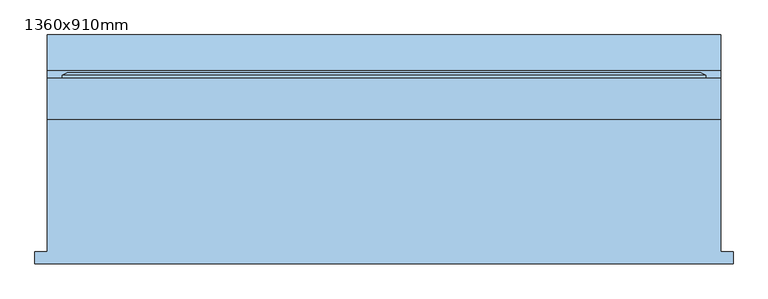
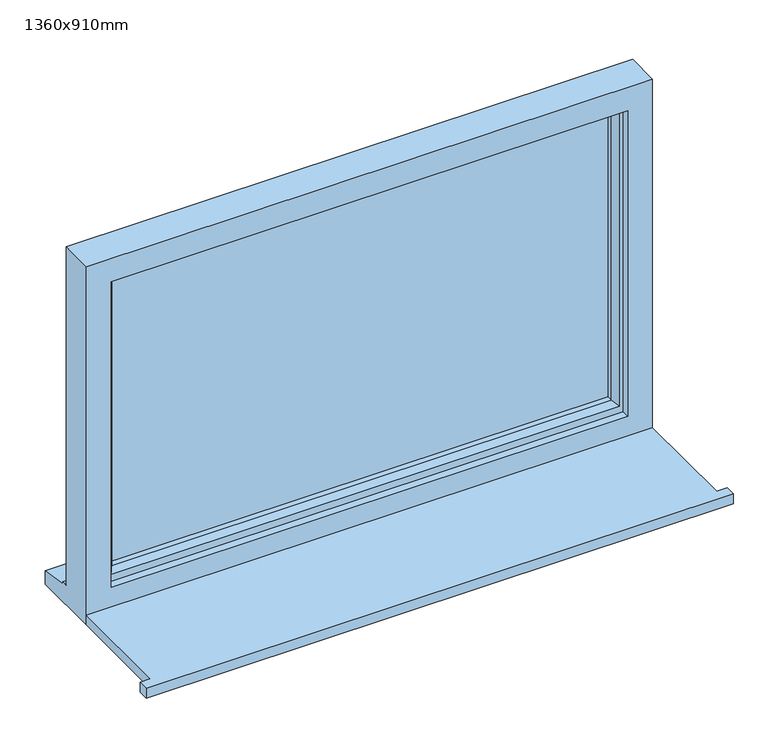
"""IFC4 building model written with IfcOpenShell, lengths in millimetres: window geometry, 1360x910mm."""

from ifc_helpers import new_model, si_unit, frame, origin, place, context, project, spatial, polyline, outline, extrude, faceted_brep, source, transform, mapped, element, save


def window_1360x910mm_ed76a888(model_context):
    return source(origin(), model_context, "Body", "SolidModel", [
        extrude(outline(polyline([(-705.0, -216.5434322), (-705.0, -191.5434322), (-680.0, -191.5434322), (-680.0, 75.4565678), (680.0, 75.4565678), (680.0, -191.5434322), (705.0, -191.5434322), (705.0, -216.5434322), (-705.0, -216.5434322)])), frame((0.0, 0.0, 1200.0), z_axis=(0.0, 0.0, 1.0), x_axis=(1.0, 0.0, 0.0)), (0.0, 0.0, 1.0), 25.0),
        faceted_brep([(-680.0, 75.4565678, 1200.0), (680.0, 75.4565678, 1200.0), (680.0, 75.4565678, 2110.0), (-680.0, 75.4565678, 2110.0), (-620.0, 75.4565678, 2050.0), (620.0, 75.4565678, 2050.0), (620.0, 75.4565678, 1275.0), (-620.0, 75.4565678, 1275.0), (-680.0, 158.4565678, 2110.0), (-680.0, 158.4565678, 1251.0), (-680.0, 173.4565678, 1249.68767), (-680.0, 173.4565678, 1244.7449676), (-680.0, 245.9565678, 1233.8088847), (-680.0, 245.9565678, 1200.0), (680.0, 158.4565678, 2110.0), (680.0, 158.4565678, 1251.0), (-640.0, 158.4565678, 2070.0), (-640.0, 158.4565678, 1263.0), (640.0, 158.4565678, 1263.0), (640.0, 158.4565678, 2070.0), (-640.0, 93.4565678, 2070.0), (-640.0, 93.4565678, 1263.0), (640.0, 93.4565678, 2070.0), (640.0, 93.4565678, 1263.0), (-620.0, 93.4565678, 2050.0), (-620.0, 93.4565678, 1275.0), (620.0, 93.4565678, 1275.0), (620.0, 93.4565678, 2050.0), (680.0, 245.9565678, 1200.0), (680.0, 245.9565678, 1233.8088847), (680.0, 173.4565678, 1244.7449676), (680.0, 173.4565678, 1249.68767)], [[[0, 1, 2, 3], [4, 5, 6, 7]], [[0, 3, 8, 9, 10, 11, 12, 13]], [[9, 8, 14, 15], [16, 17, 18, 19]], [[17, 16, 20, 21]], [[20, 22, 23, 21], [24, 25, 26, 27]], [[24, 4, 7, 25]], [[3, 2, 14, 8]], [[16, 19, 22, 20]], [[5, 4, 24, 27]], [[15, 14, 2, 1, 28, 29, 30, 31]], [[19, 18, 23, 22]], [[5, 27, 26, 6]], [[28, 1, 0, 13]], [[29, 28, 13, 12]], [[30, 29, 12, 11]], [[31, 30, 11, 10]], [[15, 31, 10, 9]], [[21, 23, 18, 17]], [[7, 6, 26, 25]]]),
        extrude(outline(polyline([(610.0, 122.4565678), (-610.0, 122.4565678), (-610.0, 146.4565678), (610.0, 146.4565678), (610.0, 122.4565678)])), frame((0.0, 0.0, 1293.0), z_axis=(0.0, 0.0, 1.0), x_axis=(1.0, 0.0, 0.0)), (0.0, 0.0, 1.0), 747.0),
        faceted_brep([(-650.0, 158.4565678, 2080.0), (-650.0, 164.2300705, 2080.0), (-650.0, 164.2300705, 1253.0), (-650.0, 158.4565678, 1253.0), (-640.0, 93.4565678, 2070.0), (-640.0, 158.4565678, 2070.0), (-640.0, 158.4565678, 1263.0), (-640.0, 93.4565678, 1263.0), (-600.0, 107.9494677, 2030.0), (-610.1480377, 93.4565678, 2040.1480377), (-610.1480377, 93.4565678, 1292.8519623), (-600.0, 107.9494677, 1303.0), (-600.0, 122.4565678, 2030.0), (-600.0, 122.4565678, 1303.0), (-610.0, 146.4565678, 2040.0), (-610.0, 122.4565678, 2040.0), (-610.0, 122.4565678, 1293.0), (-610.0, 146.4565678, 1293.0), (-600.0, 164.2300705, 2030.0), (-600.0, 146.4565678, 2030.0), (-600.0, 146.4565678, 1303.0), (-600.0, 164.2300705, 1303.0), (-617.4457548, 170.0035732, 2047.4457548), (-617.4457548, 170.0035732, 1285.5542452), (-639.2153903, 170.0035732, 2069.2153903), (-639.2153903, 170.0035732, 1263.7846097), (650.0, 164.2300705, 1253.0), (650.0, 158.4565678, 1253.0), (640.0, 158.4565678, 1263.0), (640.0, 93.4565678, 1263.0), (610.1480377, 93.4565678, 1292.8519623), (600.0, 107.9494677, 1303.0), (600.0, 122.4565678, 1303.0), (610.0, 122.4565678, 1293.0), (610.0, 146.4565678, 1293.0), (600.0, 146.4565678, 1303.0), (600.0, 164.2300705, 1303.0), (617.4457548, 170.0035732, 1285.5542452), (639.2153903, 170.0035732, 1263.7846097), (650.0, 164.2300705, 2080.0), (650.0, 158.4565678, 2080.0), (640.0, 158.4565678, 2070.0), (640.0, 93.4565678, 2070.0), (610.1480377, 93.4565678, 2040.1480377), (600.0, 107.9494677, 2030.0), (600.0, 122.4565678, 2030.0), (610.0, 122.4565678, 2040.0), (610.0, 146.4565678, 2040.0), (600.0, 146.4565678, 2030.0), (600.0, 164.2300705, 2030.0), (617.4457548, 170.0035732, 2047.4457548), (639.2153903, 170.0035732, 2069.2153903)], [[[0, 1, 2, 3]], [[4, 5, 6, 7]], [[8, 9, 10, 11]], [[12, 8, 11, 13]], [[14, 15, 16, 17]], [[18, 19, 20, 21]], [[22, 18, 21, 23]], [[1, 24, 25, 2]], [[3, 2, 26, 27]], [[7, 6, 28, 29]], [[11, 10, 30, 31]], [[13, 11, 31, 32]], [[17, 16, 33, 34]], [[21, 20, 35, 36]], [[23, 21, 36, 37]], [[2, 25, 38, 26]], [[27, 26, 39, 40]], [[29, 28, 41, 42]], [[31, 30, 43, 44]], [[32, 31, 44, 45]], [[34, 33, 46, 47]], [[36, 35, 48, 49]], [[37, 36, 49, 50]], [[26, 38, 51, 39]], [[40, 39, 1, 0]], [[3, 27, 40, 0], [5, 41, 28, 6]], [[42, 41, 5, 4]], [[7, 29, 42, 4], [9, 43, 30, 10]], [[44, 43, 9, 8]], [[45, 44, 8, 12]], [[15, 46, 33, 16], [13, 32, 45, 12]], [[47, 46, 15, 14]], [[17, 34, 47, 14], [19, 48, 35, 20]], [[49, 48, 19, 18]], [[50, 49, 18, 22]], [[24, 51, 38, 25], [23, 37, 50, 22]], [[39, 51, 24, 1]]]),
    ])


if __name__ == "__main__":
    model = new_model("IFC4")
    model_context = context("Model", 3, world=origin())
    ifc_project = project(units=[si_unit("LENGTHUNIT", "METRE", prefix="MILLI")], contexts=[model_context])
    site = spatial("IfcSite", under=ifc_project)
    building = spatial("IfcBuilding", under=site)
    placement = place(None, origin())
    window_1360x910mm_shape = window_1360x910mm_ed76a888(model_context)
    element("IfcWindow", 1, ObjectType="1360x910mm", at=placement, inside=building, context=model_context, shape_type="MappedRepresentation", body=[
        mapped(window_1360x910mm_shape, transform((0.0, 0.0, 0.0), x_axis=(1.0, 0.0, 0.0), y_axis=(0.0, 1.0, 0.0), z_axis=(0.0, 0.0, 1.0))),
    ])
    save(model, "model.ifc")
